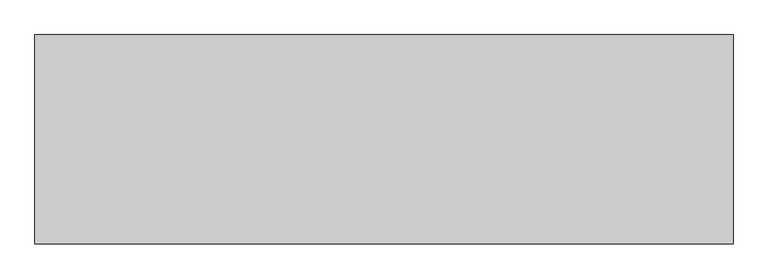
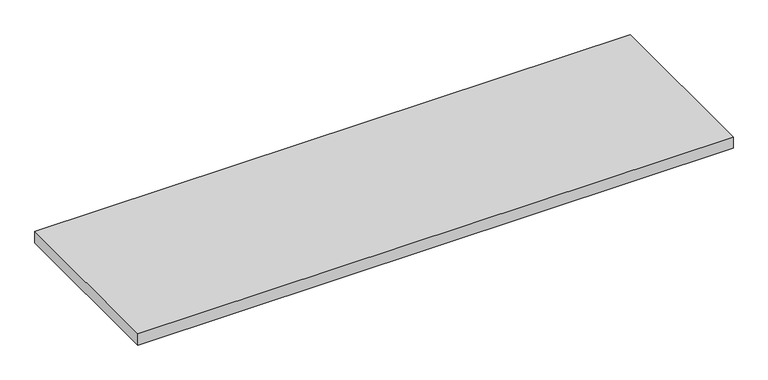
"""IFC4 building model written with IfcOpenShell, lengths in millimetres: furniture geometry."""

from ifc_helpers import new_model, si_unit, frame, origin, place, context, project, spatial, polyline, outline, extrude, source, transform, mapped, element, save


def furniture_dc3922a2(model_context):
    return source(origin(), model_context, "Body", "SweptSolid", [
        extrude(outline(polyline([(762.0, 228.6), (762.0, -228.6), (-762.0, -228.6), (-762.0, 228.6), (762.0, 228.6)])), frame((0.0, 0.0, 706.4375), z_axis=(0.0, 0.0, 1.0), x_axis=(1.0, 0.0, 0.0)), (0.0, 0.0, 1.0), 30.1625),
    ])


if __name__ == "__main__":
    model = new_model("IFC4")
    model_context = context("Model", 3, world=origin())
    ifc_project = project(units=[si_unit("LENGTHUNIT", "METRE", prefix="MILLI")], contexts=[model_context])
    site = spatial("IfcSite", under=ifc_project)
    building = spatial("IfcBuilding", under=site)
    placement = place(None, origin())
    furniture_shape = furniture_dc3922a2(model_context)
    element("IfcFurniture", 1, at=placement, inside=building, context=model_context, shape_type="MappedRepresentation", body=[
        mapped(furniture_shape, transform((0.0, 0.0, 0.0), x_axis=(1.0, 0.0, 0.0), y_axis=(0.0, 1.0, 0.0), z_axis=(0.0, 0.0, 1.0))),
    ])
    save(model, "model.ifc")
